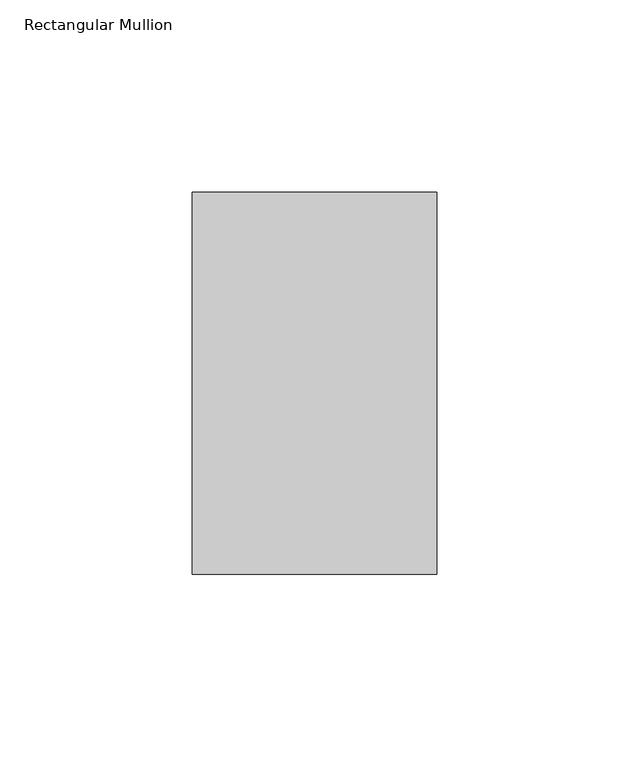
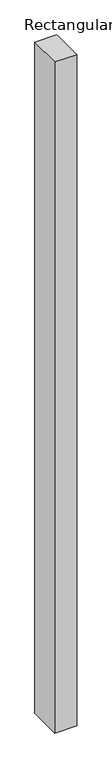
"""IFC4 building model written with IfcOpenShell, lengths in millimetres: member geometry, Rectangular Mullion."""

import ifcopenshell
import ifcopenshell.guid

model = None  # the IFC model being written
_history = None  # IfcOwnerHistory: only IFC2X3 demands one
_inside = {}  # id of a spatial element -> (the spatial element, [elements in it])
_under = {}  # id of a project, library or spatial element -> (it, [spatial elements below it])
_declared = {}  # id of a project -> (the project, [libraries it declares])
_typed = {}  # id of a type object -> (the type object, [elements of that type])
_made_of = {}  # id of a material, layer set ... -> (it, [elements and type objects made of it])


def new_model(schema):
    """Start an empty IFC model of exactly this schema.

    Asked for "IFC4X3", IfcOpenShell would pick the latest addendum, in which some entities
    have other attributes; the version numbers below select the first issue.
    IFC2X3 requires an IfcOwnerHistory on every rooted entity: one is made here for all.
    """
    global model, _history
    if schema == "IFC4X3":
        model = ifcopenshell.file(schema_version=(4, 3, 0, 0))
    else:
        model = ifcopenshell.file(schema=schema)
    _inside.clear()
    _under.clear()
    _declared.clear()
    _typed.clear()
    _made_of.clear()
    _history = None
    if model.schema == "IFC2X3":
        org = make("IfcOrganization", Name="unknown")
        user = make(
            "IfcPersonAndOrganization",
            ThePerson=make("IfcPerson", FamilyName="unknown"),
            TheOrganization=org,
        )
        app = make(
            "IfcApplication",
            ApplicationDeveloper=org,
            Version="unknown",
            ApplicationFullName="unknown",
            ApplicationIdentifier="unknown",
        )
        _history = make(
            "IfcOwnerHistory",
            OwningUser=user,
            OwningApplication=app,
            ChangeAction="ADDED",
            CreationDate=0,
        )
    return model


def make(cls, **values):
    """One entity of the class cls with the attributes given. An attribute that is None is left unset."""
    return model.create_entity(
        cls, **{name: value for name, value in values.items() if value is not None}
    )


def rooted(cls, **values):
    """An entity with a GlobalId (a new one), such as an element, a storey or a relation."""
    return make(cls, GlobalId=ifcopenshell.guid.new(), OwnerHistory=_history, **values)


def si_unit(unit_type, name, prefix=None):
    """IfcSIUnit, for example si_unit("LENGTHUNIT", "METRE", prefix="MILLI")."""
    return make("IfcSIUnit", UnitType=unit_type, Prefix=prefix, Name=name)


def assignment(units):
    """IfcUnitAssignment: the units of a project."""
    return None if units is None else make("IfcUnitAssignment", Units=units)


def point(xyz):
    """IfcCartesianPoint."""
    return None if xyz is None else make("IfcCartesianPoint", Coordinates=xyz)


def direction(xyz):
    """IfcDirection."""
    return None if xyz is None else make("IfcDirection", DirectionRatios=xyz)


def frame(location, z_axis=None, x_axis=None):
    """IfcAxis2Placement3D, a coordinate frame: its origin and axes. An axis left out is left unset."""
    return make(
        "IfcAxis2Placement3D",
        Location=point(location),
        Axis=direction(z_axis),
        RefDirection=direction(x_axis),
    )


def origin():
    """The frame at (0, 0, 0) with its axes left unset."""
    return frame((0.0, 0.0, 0.0))


def place(relative_to, where):
    """IfcLocalPlacement: puts the frame where relative to a parent placement (None: the world)."""
    return make(
        "IfcLocalPlacement", PlacementRelTo=relative_to, RelativePlacement=where
    )


def context(
    kind, dimensions, precision=None, world=None, true_north=None, identifier=None
):
    """IfcGeometricRepresentationContext, for example the 3D "Model" context."""
    return make(
        "IfcGeometricRepresentationContext",
        ContextIdentifier=identifier,
        ContextType=kind,
        CoordinateSpaceDimension=dimensions,
        Precision=precision,
        WorldCoordinateSystem=world,
        TrueNorth=true_north,
    )


def project(units=None, contexts=None):
    """IfcProject with its units and contexts."""
    return rooted(
        "IfcProject",
        Name="project",
        RepresentationContexts=contexts,
        UnitsInContext=assignment(units),
    )


def spatial(cls, under=None, at=None, **own):
    """A site, building, storey or space (cls), placed at a placement, below another one or the project."""
    s = rooted(cls, ObjectPlacement=at, **own)
    if under is not None:
        _under.setdefault(under.id(), (under, []))[1].append(s)
    return s


def polyline(points):
    """IfcPolyline through the points."""
    return make("IfcPolyline", Points=[point(p) for p in points])


def outline(outer, holes=None, kind="AREA"):
    """IfcArbitraryClosedProfileDef: a profile drawn as a closed curve; with holes, ...WithVoids."""
    if holes is None:
        return make("IfcArbitraryClosedProfileDef", ProfileType=kind, OuterCurve=outer)
    return make(
        "IfcArbitraryProfileDefWithVoids",
        ProfileType=kind,
        OuterCurve=outer,
        InnerCurves=holes,
    )


def extrude(swept, where, along, depth):
    """IfcExtrudedAreaSolid: the profile swept, set in the frame where, extruded along a direction by depth."""
    return make(
        "IfcExtrudedAreaSolid",
        SweptArea=swept,
        Position=where,
        ExtrudedDirection=direction(along),
        Depth=depth,
    )


def shape(context_of_items, identifier, shape_type, items):
    """IfcShapeRepresentation: the items that make up one representation, for example the "Body"."""
    return make(
        "IfcShapeRepresentation",
        ContextOfItems=context_of_items,
        RepresentationIdentifier=identifier,
        RepresentationType=shape_type,
        Items=items,
    )


def source(mapping_origin, context_of_items, identifier, shape_type, items):
    """IfcRepresentationMap: a shape defined once, which mapped items show again and again."""
    return make(
        "IfcRepresentationMap",
        MappingOrigin=mapping_origin,
        MappedRepresentation=shape(context_of_items, identifier, shape_type, items),
    )


def transform(
    local_origin,
    x_axis=None,
    y_axis=None,
    z_axis=None,
    scale=None,
    scale2=None,
    scale3=None,
    uniform=True,
):
    """IfcCartesianTransformationOperator3D, or its non-uniform kind. x_axis, y_axis, z_axis: its Axis1, 2, 3."""
    if uniform:
        return make(
            "IfcCartesianTransformationOperator3D",
            Axis1=direction(x_axis),
            Axis2=direction(y_axis),
            LocalOrigin=point(local_origin),
            Scale=scale,
            Axis3=direction(z_axis),
        )
    return make(
        "IfcCartesianTransformationOperator3DnonUniform",
        Axis1=direction(x_axis),
        Axis2=direction(y_axis),
        LocalOrigin=point(local_origin),
        Scale=scale,
        Axis3=direction(z_axis),
        Scale2=scale2,
        Scale3=scale3,
    )


def mapped(mapping_source, mapping_target):
    """IfcMappedItem: shows the shape of a source again, moved by a transform."""
    return make(
        "IfcMappedItem", MappingSource=mapping_source, MappingTarget=mapping_target
    )


def made_of(thing, what):
    """Note that an element or type object is made of a material, layer set ...; save() writes the relation."""
    if what is not None:
        _made_of.setdefault(what.id(), (what, []))[1].append(thing)
    return thing


def element(
    cls,
    number,
    at=None,
    inside=None,
    cuts=None,
    type_object=None,
    material=None,
    context=None,
    identifier="Body",
    shape_type=None,
    held_by="IfcProductDefinitionShape",
    body=None,
    shapes=None,
    **own,
):
    """One element of the class cls, such as IfcWall. Its Tag is "e" and its number.

    at: its placement. inside: the storey or other place that contains it. cuts: it is an
    opening in that element (IfcRelVoidsElement). A single representation is given by context,
    identifier, shape_type and body (its items); several are given by shapes. held_by: the class
    of the entity that holds the representations. save() writes the other relations.
    """
    e = rooted(cls, Tag="e%d" % number, ObjectPlacement=at, **own)
    if body is not None:
        shapes = [shape(context, identifier, shape_type, body)]
    if shapes is not None:
        e.Representation = make(held_by, Representations=shapes)
    if inside is not None:
        _inside.setdefault(inside.id(), (inside, []))[1].append(e)
    if cuts is not None:
        rooted(
            "IfcRelVoidsElement", RelatingBuildingElement=cuts, RelatedOpeningElement=e
        )
    if type_object is not None:
        _typed.setdefault(type_object.id(), (type_object, []))[1].append(e)
    return made_of(e, material)


def aggregate(whole, parts):
    """IfcRelAggregates: a whole, such as a stair, and the parts it consists of."""
    return rooted("IfcRelAggregates", RelatingObject=whole, RelatedObjects=parts)


def save(model, path):
    """Write the relations noted so far, then the file.

    IfcRelAggregates (storeys below a building ...), IfcRelContainedInSpatialStructure (elements
    in a storey), IfcRelDefinesByType, IfcRelAssociatesMaterial and IfcRelDeclares: one each for
    every whole, place, type object, material and project.
    """
    for whole, parts in _under.values():
        aggregate(whole, parts)
    for where, things in _inside.values():
        rooted(
            "IfcRelContainedInSpatialStructure",
            RelatedElements=things,
            RelatingStructure=where,
        )
    for kind, things in _typed.values():
        rooted("IfcRelDefinesByType", RelatedObjects=things, RelatingType=kind)
    for what, things in _made_of.values():
        rooted("IfcRelAssociatesMaterial", RelatedObjects=things, RelatingMaterial=what)
    for by, libraries in _declared.values():
        rooted("IfcRelDeclares", RelatingContext=by, RelatedDefinitions=libraries)
    model.write(path)


def rectangular_mullion_514d5109(model_context):
    return source(origin(), model_context, "Body", "SweptSolid", [
        extrude(outline(polyline([(31.75, 138.7038437), (31.75, 39.3898437), (-31.75, 39.3898437), (-31.75, 138.7038437), (31.75, 138.7038437)])), frame((0.0, 0.0, -2057.4000001), z_axis=(0.0, 0.0, 1.0), x_axis=(1.0, 0.0, 0.0)), (0.0, 0.0, 1.0), 2057.4000001),
    ])


if __name__ == "__main__":
    model = new_model("IFC4")
    model_context = context("Model", 3, world=origin())
    ifc_project = project(units=[si_unit("LENGTHUNIT", "METRE", prefix="MILLI")], contexts=[model_context])
    site = spatial("IfcSite", under=ifc_project)
    building = spatial("IfcBuilding", under=site)
    placement = place(None, origin())
    rectangular_mullion_shape = rectangular_mullion_514d5109(model_context)
    element("IfcMember", 1, ObjectType="Rectangular Mullion", at=placement, inside=building, context=model_context, shape_type="MappedRepresentation", body=[
        mapped(rectangular_mullion_shape, transform((0.0, 0.0, 0.0), x_axis=(1.0, 0.0, 0.0), y_axis=(0.0, 1.0, 0.0), z_axis=(0.0, 0.0, 1.0))),
    ])
    save(model, "model.ifc")
